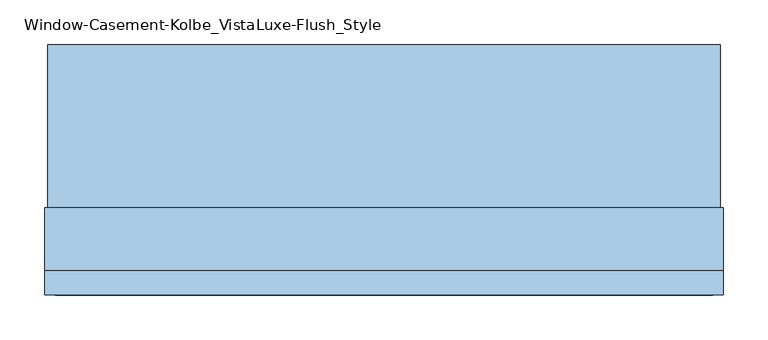
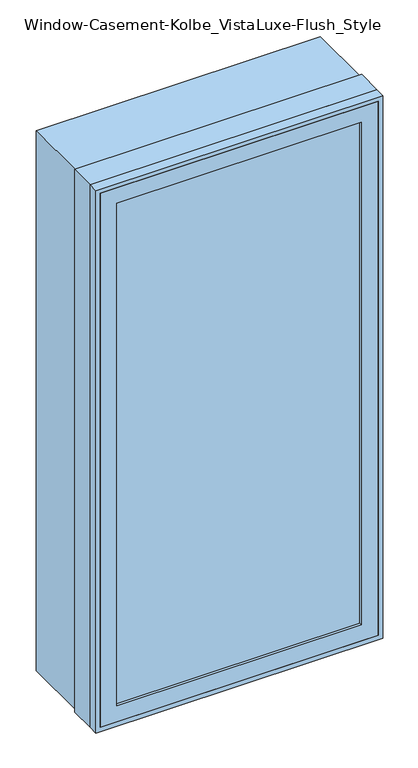
"""IFC4 building model written with IfcOpenShell, lengths in millimetres: window geometry, Window-Casement-Kolbe_VistaLuxe-Flush_Style."""

from ifc_helpers import new_model, si_unit, frame, origin, place, context, project, spatial, polyline, outline, extrude, faceted_brep, source, transform, mapped, element, save


def window_casement_kolbe_vistaluxe_flush_style_70413220(model_context):
    return source(origin(), model_context, "Body", "SolidModel", [
        faceted_brep([(-330.2696599, -145.19148, 970.676875), (-330.2696599, -153.12898, 970.676875), (319.1765901, -153.12898, 970.676875), (319.1765901, -145.19148, 970.676875), (-346.1446599, -122.94108, 954.801875), (-346.1446599, -145.19148, 954.801875), (335.0515901, -145.19148, 954.801875), (335.0515901, -122.94108, 954.801875), (-330.2696599, -103.91648, 970.676875), (-330.2696599, -122.94108, 970.676875), (319.1765901, -122.94108, 970.676875), (319.1765901, -103.91648, 970.676875), (-374.7196599, -153.12898, 926.226875), (-374.7196599, -103.91648, 926.226875), (363.6265901, -103.91648, 926.226875), (363.6265901, -153.12898, 926.226875), (319.1765901, -153.12898, 2382.123125), (319.1765901, -145.19148, 2382.123125), (335.0515901, -145.19148, 2397.998125), (335.0515901, -122.94108, 2397.998125), (319.1765901, -122.94108, 2382.123125), (319.1765901, -103.91648, 2382.123125), (363.6265901, -103.91648, 2426.573125), (363.6265901, -153.12898, 2426.573125), (-330.2696599, -153.12898, 2382.123125), (-330.2696599, -145.19148, 2382.123125), (-346.1446599, -145.19148, 2397.998125), (-346.1446599, -122.94108, 2397.998125), (-330.2696599, -122.94108, 2382.123125), (-330.2696599, -103.91648, 2382.123125), (-374.7196599, -103.91648, 2426.573125), (-374.7196599, -153.12898, 2426.573125)], [[[0, 1, 2, 3]], [[4, 5, 6, 7]], [[8, 9, 10, 11]], [[12, 13, 14, 15]], [[3, 2, 16, 17]], [[7, 6, 18, 19]], [[11, 10, 20, 21]], [[15, 14, 22, 23]], [[17, 16, 24, 25]], [[19, 18, 26, 27]], [[21, 20, 28, 29]], [[23, 22, 30, 31]], [[25, 24, 1, 0]], [[5, 26, 18, 6], [3, 17, 25, 0]], [[27, 26, 5, 4]], [[7, 19, 27, 4], [9, 28, 20, 10]], [[29, 28, 9, 8]], [[13, 30, 22, 14], [11, 21, 29, 8]], [[31, 30, 13, 12]], [[15, 23, 31, 12], [1, 24, 16, 2]]]),
        extrude(outline(polyline([(2434.8186, 371.8720651), (2434.8186, -382.9651349), (917.9814, -382.9651349), (917.9814, 371.8720651), (2434.8186, 371.8720651)]), holes=[polyline([(936.545625, 353.3078401), (936.545625, -364.4009099), (2416.254375, -364.4009099), (2416.254375, 353.3078401), (936.545625, 353.3078401)])]), frame((0.0, -56.3372, 0.0), z_axis=(0.0, 1.0, 0.0), x_axis=(0.0, 0.0, 1.0)), (0.0, 0.0, 1.0), 183.3372),
        extrude(outline(polyline([(2438.4, -386.5465349), (914.4, -386.5465349), (914.4, 375.4534651), (2438.4, 375.4534651), (2438.4, -386.5465349)]), holes=[polyline([(2426.573125, 363.6265901), (926.226875, 363.6265901), (926.226875, -374.7196599), (2426.573125, -374.7196599), (2426.573125, 363.6265901)])]), frame((0.0, -153.924, 0.0), z_axis=(0.0, 1.0, 0.0), x_axis=(0.0, 0.0, 1.0)), (0.0, 0.0, 1.0), 26.924),
        faceted_brep([(375.4534651, -56.3372, 914.4), (375.4534651, -127.0, 914.4), (-386.5465349, -127.0, 914.4), (-386.5465349, -56.3372, 914.4), (353.3078401, -103.91775, 936.545625), (353.3078401, -56.3372, 936.545625), (-364.4009099, -56.3372, 936.545625), (-364.4009099, -103.91775, 936.545625), (363.6265901, -127.0, 926.226875), (363.6265901, -103.91775, 926.226875), (-374.7196599, -103.91775, 926.226875), (-374.7196599, -127.0, 926.226875), (-386.5465349, -127.0, 2438.4), (-386.5465349, -56.3372, 2438.4), (-364.4009099, -56.3372, 2416.254375), (-364.4009099, -103.91775, 2416.254375), (-374.7196599, -103.91775, 2426.573125), (-374.7196599, -127.0, 2426.573125), (375.4534651, -127.0, 2438.4), (375.4534651, -56.3372, 2438.4), (353.3078401, -56.3372, 2416.254375), (353.3078401, -103.91775, 2416.254375), (363.6265901, -103.91775, 2426.573125), (363.6265901, -127.0, 2426.573125)], [[[0, 1, 2, 3]], [[4, 5, 6, 7]], [[8, 9, 10, 11]], [[3, 2, 12, 13]], [[7, 6, 14, 15]], [[11, 10, 16, 17]], [[13, 12, 18, 19]], [[15, 14, 20, 21]], [[17, 16, 22, 23]], [[19, 18, 1, 0]], [[3, 13, 19, 0], [5, 20, 14, 6]], [[21, 20, 5, 4]], [[9, 22, 16, 10], [7, 15, 21, 4]], [[23, 22, 9, 8]], [[1, 18, 12, 2], [11, 17, 23, 8]]]),
        extrude(outline(polyline([(331.8765901, -126.11608), (-342.9696599, -126.11608), (-342.9696599, -122.94108), (331.8765901, -122.94108), (331.8765901, -126.11608)])), frame((0.0, 0.0, 957.976875), z_axis=(0.0, 0.0, 1.0), x_axis=(1.0, 0.0, 0.0)), (0.0, 0.0, 1.0), 1436.84625),
        extrude(outline(polyline([(331.8765901, -142.01648), (331.8765901, -145.19148), (-342.9696599, -145.19148), (-342.9696599, -142.01648), (331.8765901, -142.01648)])), frame((0.0, 0.0, 957.976875), z_axis=(0.0, 0.0, 1.0), x_axis=(1.0, 0.0, 0.0)), (0.0, 0.0, 1.0), 1436.84625),
        extrude(outline(polyline([(936.545625, 353.3078401), (2416.254375, 353.3078401), (2416.254375, -364.4009099), (936.545625, -364.4009099), (936.545625, 353.3078401)]), holes=[polyline([(954.801875, -346.1446599), (2397.998125, -346.1446599), (2397.998125, 335.0515901), (954.801875, 335.0515901), (954.801875, -346.1446599)])]), frame((0.0, -103.91775, 0.0), z_axis=(0.0, 1.0, 0.0), x_axis=(0.0, 0.0, 1.0)), (0.0, 0.0, 1.0), 50.8),
    ])


if __name__ == "__main__":
    model = new_model("IFC4")
    model_context = context("Model", 3, world=origin())
    ifc_project = project(units=[si_unit("LENGTHUNIT", "METRE", prefix="MILLI")], contexts=[model_context])
    site = spatial("IfcSite", under=ifc_project)
    building = spatial("IfcBuilding", under=site)
    placement = place(None, origin())
    window_casement_kolbe_vistaluxe_flush_style_shape = window_casement_kolbe_vistaluxe_flush_style_70413220(model_context)
    element("IfcWindow", 1, ObjectType="Window-Casement-Kolbe_VistaLuxe-Flush_Style", at=placement, inside=building, context=model_context, shape_type="MappedRepresentation", body=[
        mapped(window_casement_kolbe_vistaluxe_flush_style_shape, transform((0.0, 0.0, 0.0), x_axis=(1.0, 0.0, 0.0), y_axis=(0.0, 1.0, 0.0), z_axis=(0.0, 0.0, 1.0))),
    ])
    save(model, "model.ifc")
